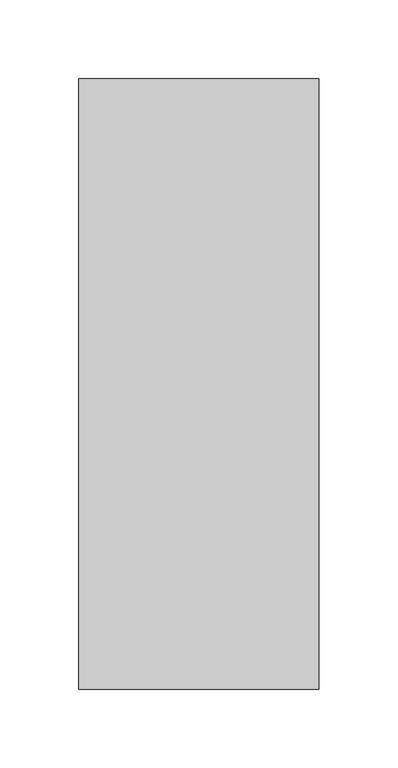
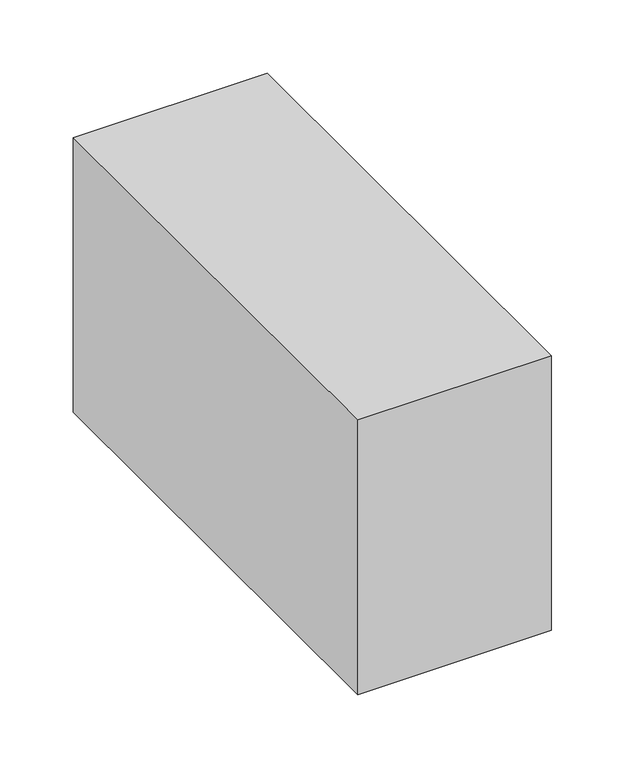
"""IFC4 building model written with IfcOpenShell, lengths in millimetres: proxy geometry."""

from ifc_helpers import new_model, si_unit, origin, origin_with_axes, place, context, project, spatial, polyline, outline, extrude, source, transform, mapped, element, save


def specialty_equipment_50542603(model_context):
    return source(origin(), model_context, "Body", "SweptSolid", [
        extrude(outline(polyline([(1981.2, -1113.575), (1981.2, -726.225), (2133.6, -726.225), (2133.6, -1113.575), (1981.2, -1113.575)])), origin_with_axes(), (0.0, 0.0, 1.0), 228.6),
    ])


if __name__ == "__main__":
    model = new_model("IFC4")
    model_context = context("Model", 3, world=origin())
    ifc_project = project(units=[si_unit("LENGTHUNIT", "METRE", prefix="MILLI")], contexts=[model_context])
    site = spatial("IfcSite", under=ifc_project)
    building = spatial("IfcBuilding", under=site)
    placement = place(None, origin())
    specialty_equipment_shape = specialty_equipment_50542603(model_context)
    element("IfcBuildingElementProxy", 1, Name="Specialty Equipment", at=placement, inside=building, context=model_context, shape_type="MappedRepresentation", body=[
        mapped(specialty_equipment_shape, transform((0.0, 0.0, 0.0), x_axis=(1.0, 0.0, 0.0), y_axis=(0.0, 1.0, 0.0), z_axis=(0.0, 0.0, 1.0))),
    ])
    save(model, "model.ifc")
